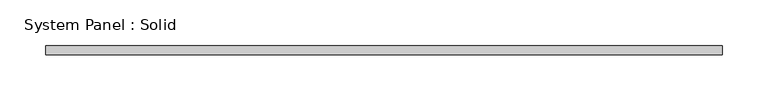
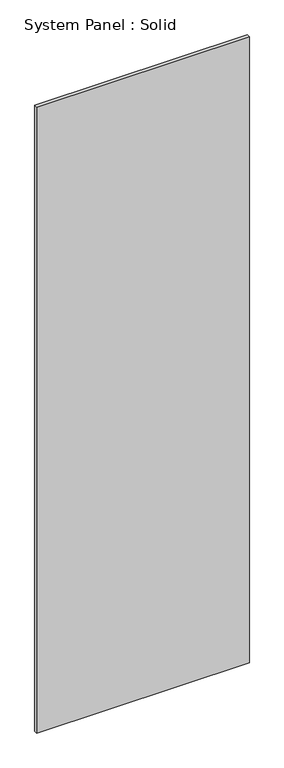
"""IFC4 building model written with IfcOpenShell, lengths in millimetres: plate geometry, System Panel : Solid."""

from ifc_helpers import new_model, si_unit, origin, origin_with_axes, place, context, project, spatial, polyline, outline, extrude, source, transform, mapped, element, save


def system_panel_solid_91c0cf76(model_context):
    return source(origin(), model_context, "Body", "SweptSolid", [
        extrude(outline(polyline([(370.0, 95.0), (-370.0, 95.0), (-370.0, 105.0), (370.0, 105.0), (370.0, 95.0)])), origin_with_axes(), (0.0, 0.0, 1.0), 2300.0),
    ])


if __name__ == "__main__":
    model = new_model("IFC4")
    model_context = context("Model", 3, world=origin())
    ifc_project = project(units=[si_unit("LENGTHUNIT", "METRE", prefix="MILLI")], contexts=[model_context])
    site = spatial("IfcSite", under=ifc_project)
    building = spatial("IfcBuilding", under=site)
    placement = place(None, origin())
    system_panel_solid_shape = system_panel_solid_91c0cf76(model_context)
    element("IfcPlate", 1, ObjectType="System Panel : Solid", at=placement, inside=building, context=model_context, shape_type="MappedRepresentation", body=[
        mapped(system_panel_solid_shape, transform((0.0, 0.0, 0.0), x_axis=(1.0, 0.0, 0.0), y_axis=(0.0, 1.0, 0.0), z_axis=(0.0, 0.0, 1.0))),
    ])
    save(model, "model.ifc")
